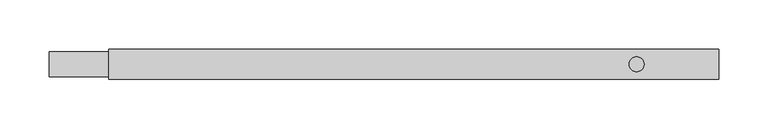
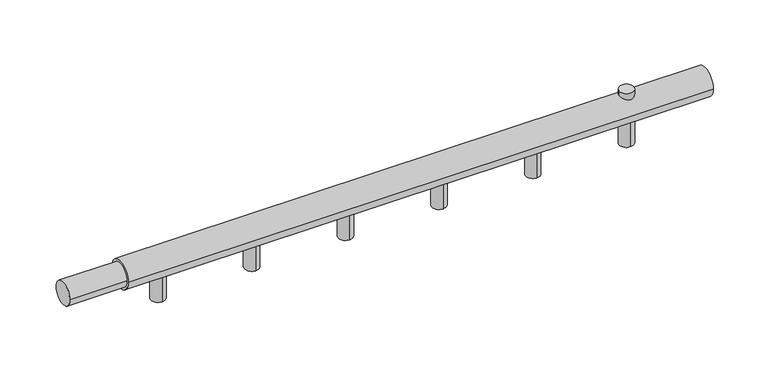
"""IFC4 building model written with IfcOpenShell, lengths in millimetres: proxy geometry."""

import ifcopenshell
import ifcopenshell.guid

model = None  # the IFC model being written
_history = None  # IfcOwnerHistory: only IFC2X3 demands one
_inside = {}  # id of a spatial element -> (the spatial element, [elements in it])
_under = {}  # id of a project, library or spatial element -> (it, [spatial elements below it])
_declared = {}  # id of a project -> (the project, [libraries it declares])
_typed = {}  # id of a type object -> (the type object, [elements of that type])
_made_of = {}  # id of a material, layer set ... -> (it, [elements and type objects made of it])


def new_model(schema):
    """Start an empty IFC model of exactly this schema.

    Asked for "IFC4X3", IfcOpenShell would pick the latest addendum, in which some entities
    have other attributes; the version numbers below select the first issue.
    IFC2X3 requires an IfcOwnerHistory on every rooted entity: one is made here for all.
    """
    global model, _history
    if schema == "IFC4X3":
        model = ifcopenshell.file(schema_version=(4, 3, 0, 0))
    else:
        model = ifcopenshell.file(schema=schema)
    _inside.clear()
    _under.clear()
    _declared.clear()
    _typed.clear()
    _made_of.clear()
    _history = None
    if model.schema == "IFC2X3":
        org = make("IfcOrganization", Name="unknown")
        user = make(
            "IfcPersonAndOrganization",
            ThePerson=make("IfcPerson", FamilyName="unknown"),
            TheOrganization=org,
        )
        app = make(
            "IfcApplication",
            ApplicationDeveloper=org,
            Version="unknown",
            ApplicationFullName="unknown",
            ApplicationIdentifier="unknown",
        )
        _history = make(
            "IfcOwnerHistory",
            OwningUser=user,
            OwningApplication=app,
            ChangeAction="ADDED",
            CreationDate=0,
        )
    return model


def make(cls, **values):
    """One entity of the class cls with the attributes given. An attribute that is None is left unset."""
    return model.create_entity(
        cls, **{name: value for name, value in values.items() if value is not None}
    )


def rooted(cls, **values):
    """An entity with a GlobalId (a new one), such as an element, a storey or a relation."""
    return make(cls, GlobalId=ifcopenshell.guid.new(), OwnerHistory=_history, **values)


def si_unit(unit_type, name, prefix=None):
    """IfcSIUnit, for example si_unit("LENGTHUNIT", "METRE", prefix="MILLI")."""
    return make("IfcSIUnit", UnitType=unit_type, Prefix=prefix, Name=name)


def assignment(units):
    """IfcUnitAssignment: the units of a project."""
    return None if units is None else make("IfcUnitAssignment", Units=units)


def point(xyz):
    """IfcCartesianPoint."""
    return None if xyz is None else make("IfcCartesianPoint", Coordinates=xyz)


def direction(xyz):
    """IfcDirection."""
    return None if xyz is None else make("IfcDirection", DirectionRatios=xyz)


def frame(location, z_axis=None, x_axis=None):
    """IfcAxis2Placement3D, a coordinate frame: its origin and axes. An axis left out is left unset."""
    return make(
        "IfcAxis2Placement3D",
        Location=point(location),
        Axis=direction(z_axis),
        RefDirection=direction(x_axis),
    )


def frame_2d(location, x_axis=None):
    """IfcAxis2Placement2D, a coordinate frame in the plane: its origin and x axis."""
    return make(
        "IfcAxis2Placement2D", Location=point(location), RefDirection=direction(x_axis)
    )


def origin():
    """The frame at (0, 0, 0) with its axes left unset."""
    return frame((0.0, 0.0, 0.0))


def origin_with_axes():
    """The frame at (0, 0, 0) with the z axis (0, 0, 1) and the x axis (1, 0, 0) written out."""
    return frame((0.0, 0.0, 0.0), z_axis=(0.0, 0.0, 1.0), x_axis=(1.0, 0.0, 0.0))


def origin_2d():
    """The frame at (0, 0) in the plane with its x axis left unset."""
    return frame_2d((0.0, 0.0))


def place(relative_to, where):
    """IfcLocalPlacement: puts the frame where relative to a parent placement (None: the world)."""
    return make(
        "IfcLocalPlacement", PlacementRelTo=relative_to, RelativePlacement=where
    )


def context(
    kind, dimensions, precision=None, world=None, true_north=None, identifier=None
):
    """IfcGeometricRepresentationContext, for example the 3D "Model" context."""
    return make(
        "IfcGeometricRepresentationContext",
        ContextIdentifier=identifier,
        ContextType=kind,
        CoordinateSpaceDimension=dimensions,
        Precision=precision,
        WorldCoordinateSystem=world,
        TrueNorth=true_north,
    )


def project(units=None, contexts=None):
    """IfcProject with its units and contexts."""
    return rooted(
        "IfcProject",
        Name="project",
        RepresentationContexts=contexts,
        UnitsInContext=assignment(units),
    )


def spatial(cls, under=None, at=None, **own):
    """A site, building, storey or space (cls), placed at a placement, below another one or the project."""
    s = rooted(cls, ObjectPlacement=at, **own)
    if under is not None:
        _under.setdefault(under.id(), (under, []))[1].append(s)
    return s


def circle_curve(where, radius):
    """IfcCircle in the frame where."""
    return make("IfcCircle", Position=where, Radius=radius)


def trimmed(basis, trim1, trim2, sense, master):
    """IfcTrimmedCurve: the piece of a basis curve between two trims."""
    return make(
        "IfcTrimmedCurve",
        BasisCurve=basis,
        Trim1=trim1,
        Trim2=trim2,
        SenseAgreement=sense,
        MasterRepresentation=master,
    )


def segment(curve, same_sense, transition):
    """IfcCompositeCurveSegment."""
    return make(
        "IfcCompositeCurveSegment",
        Transition=transition,
        SameSense=same_sense,
        ParentCurve=curve,
    )


def composite_curve(segments, self_intersect=None):
    """IfcCompositeCurve: segments joined end to end."""
    return make("IfcCompositeCurve", Segments=segments, SelfIntersect=self_intersect)


def outline(outer, holes=None, kind="AREA"):
    """IfcArbitraryClosedProfileDef: a profile drawn as a closed curve; with holes, ...WithVoids."""
    if holes is None:
        return make("IfcArbitraryClosedProfileDef", ProfileType=kind, OuterCurve=outer)
    return make(
        "IfcArbitraryProfileDefWithVoids",
        ProfileType=kind,
        OuterCurve=outer,
        InnerCurves=holes,
    )


def extrude(swept, where, along, depth):
    """IfcExtrudedAreaSolid: the profile swept, set in the frame where, extruded along a direction by depth."""
    return make(
        "IfcExtrudedAreaSolid",
        SweptArea=swept,
        Position=where,
        ExtrudedDirection=direction(along),
        Depth=depth,
    )


def shape(context_of_items, identifier, shape_type, items):
    """IfcShapeRepresentation: the items that make up one representation, for example the "Body"."""
    return make(
        "IfcShapeRepresentation",
        ContextOfItems=context_of_items,
        RepresentationIdentifier=identifier,
        RepresentationType=shape_type,
        Items=items,
    )


def source(mapping_origin, context_of_items, identifier, shape_type, items):
    """IfcRepresentationMap: a shape defined once, which mapped items show again and again."""
    return make(
        "IfcRepresentationMap",
        MappingOrigin=mapping_origin,
        MappedRepresentation=shape(context_of_items, identifier, shape_type, items),
    )


def transform(
    local_origin,
    x_axis=None,
    y_axis=None,
    z_axis=None,
    scale=None,
    scale2=None,
    scale3=None,
    uniform=True,
):
    """IfcCartesianTransformationOperator3D, or its non-uniform kind. x_axis, y_axis, z_axis: its Axis1, 2, 3."""
    if uniform:
        return make(
            "IfcCartesianTransformationOperator3D",
            Axis1=direction(x_axis),
            Axis2=direction(y_axis),
            LocalOrigin=point(local_origin),
            Scale=scale,
            Axis3=direction(z_axis),
        )
    return make(
        "IfcCartesianTransformationOperator3DnonUniform",
        Axis1=direction(x_axis),
        Axis2=direction(y_axis),
        LocalOrigin=point(local_origin),
        Scale=scale,
        Axis3=direction(z_axis),
        Scale2=scale2,
        Scale3=scale3,
    )


def mapped(mapping_source, mapping_target):
    """IfcMappedItem: shows the shape of a source again, moved by a transform."""
    return make(
        "IfcMappedItem", MappingSource=mapping_source, MappingTarget=mapping_target
    )


def made_of(thing, what):
    """Note that an element or type object is made of a material, layer set ...; save() writes the relation."""
    if what is not None:
        _made_of.setdefault(what.id(), (what, []))[1].append(thing)
    return thing


def element(
    cls,
    number,
    at=None,
    inside=None,
    cuts=None,
    type_object=None,
    material=None,
    context=None,
    identifier="Body",
    shape_type=None,
    held_by="IfcProductDefinitionShape",
    body=None,
    shapes=None,
    **own,
):
    """One element of the class cls, such as IfcWall. Its Tag is "e" and its number.

    at: its placement. inside: the storey or other place that contains it. cuts: it is an
    opening in that element (IfcRelVoidsElement). A single representation is given by context,
    identifier, shape_type and body (its items); several are given by shapes. held_by: the class
    of the entity that holds the representations. save() writes the other relations.
    """
    e = rooted(cls, Tag="e%d" % number, ObjectPlacement=at, **own)
    if body is not None:
        shapes = [shape(context, identifier, shape_type, body)]
    if shapes is not None:
        e.Representation = make(held_by, Representations=shapes)
    if inside is not None:
        _inside.setdefault(inside.id(), (inside, []))[1].append(e)
    if cuts is not None:
        rooted(
            "IfcRelVoidsElement", RelatingBuildingElement=cuts, RelatedOpeningElement=e
        )
    if type_object is not None:
        _typed.setdefault(type_object.id(), (type_object, []))[1].append(e)
    return made_of(e, material)


def aggregate(whole, parts):
    """IfcRelAggregates: a whole, such as a stair, and the parts it consists of."""
    return rooted("IfcRelAggregates", RelatingObject=whole, RelatedObjects=parts)


def save(model, path):
    """Write the relations noted so far, then the file.

    IfcRelAggregates (storeys below a building ...), IfcRelContainedInSpatialStructure (elements
    in a storey), IfcRelDefinesByType, IfcRelAssociatesMaterial and IfcRelDeclares: one each for
    every whole, place, type object, material and project.
    """
    for whole, parts in _under.values():
        aggregate(whole, parts)
    for where, things in _inside.values():
        rooted(
            "IfcRelContainedInSpatialStructure",
            RelatedElements=things,
            RelatingStructure=where,
        )
    for kind, things in _typed.values():
        rooted("IfcRelDefinesByType", RelatedObjects=things, RelatingType=kind)
    for what, things in _made_of.values():
        rooted("IfcRelAssociatesMaterial", RelatedObjects=things, RelatingMaterial=what)
    for by, libraries in _declared.values():
        rooted("IfcRelDeclares", RelatingContext=by, RelatedDefinitions=libraries)
    model.write(path)


def mechanical_equipment_38eea2f0(model_context):
    return source(origin(), model_context, "Body", "SweptSolid", [
        extrude(outline(composite_curve([segment(trimmed(circle_curve(frame_2d((593.1818182, 0.0)), 7.5), [point((585.6818182, 0.0))], [point((600.6818182, 0.0))], False, "CARTESIAN"), True, "CONTINUOUS"), segment(trimmed(circle_curve(frame_2d((593.1818182, 0.0)), 7.5), [point((600.6818182, 0.0))], [point((585.6818182, 0.0))], False, "CARTESIAN"), True, "CONTINUOUS")], self_intersect=False)), origin_with_axes(), (0.0, 0.0, 1.0), 20.0),
        extrude(outline(composite_curve([segment(trimmed(circle_curve(origin_2d(), 12.5), [point((-12.5, 0.0))], [point((12.5, 0.0))], False, "CARTESIAN"), True, "CONTINUOUS"), segment(trimmed(circle_curve(origin_2d(), 12.5), [point((12.5, 0.0))], [point((-12.5, 0.0))], False, "CARTESIAN"), True, "CONTINUOUS")], self_intersect=False)), frame((0.0, 0.0, 0.0), z_axis=(1.0, 0.0, 0.0), x_axis=(0.0, 1.0, 0.0)), (0.0, 0.0, 1.0), 60.0),
        extrude(outline(composite_curve([segment(trimmed(circle_curve(origin_2d(), 15.0), [point((-15.0, 0.0))], [point((15.0, 0.0))], False, "CARTESIAN"), True, "CONTINUOUS"), segment(trimmed(circle_curve(origin_2d(), 15.0), [point((15.0, 0.0))], [point((-15.0, 0.0))], False, "CARTESIAN"), True, "CONTINUOUS")], self_intersect=False)), frame((60.0, 0.0, 0.0), z_axis=(1.0, 0.0, 0.0), x_axis=(0.0, 1.0, 0.0)), (0.0, 0.0, 1.0), 615.9090909),
        extrude(outline(composite_curve([segment(trimmed(circle_curve(frame_2d((593.1818182, 0.0)), 7.5), [point((593.1818182, 7.5))], [point((593.1818182, -7.5))], False, "CARTESIAN"), True, "CONTINUOUS"), segment(trimmed(circle_curve(frame_2d((593.1818182, 0.0)), 7.5), [point((593.1818182, -7.5))], [point((593.1818182, 7.5))], False, "CARTESIAN"), True, "CONTINUOUS")], self_intersect=False)), frame((0.0, 0.0, -40.0), z_axis=(0.0, 0.0, 1.0), x_axis=(1.0, 0.0, 0.0)), (0.0, 0.0, 1.0), 40.0),
        extrude(outline(composite_curve([segment(trimmed(circle_curve(frame_2d((494.5454545, 0.0)), 7.5), [point((494.5454545, 7.5))], [point((494.5454545, -7.5))], False, "CARTESIAN"), True, "CONTINUOUS"), segment(trimmed(circle_curve(frame_2d((494.5454545, 0.0)), 7.5), [point((494.5454545, -7.5))], [point((494.5454545, 7.5))], False, "CARTESIAN"), True, "CONTINUOUS")], self_intersect=False)), frame((0.0, 0.0, -40.0), z_axis=(0.0, 0.0, 1.0), x_axis=(1.0, 0.0, 0.0)), (0.0, 0.0, 1.0), 40.0),
        extrude(outline(composite_curve([segment(trimmed(circle_curve(frame_2d((395.9090909, 0.0)), 7.5), [point((395.9090909, 7.5))], [point((395.9090909, -7.5))], False, "CARTESIAN"), True, "CONTINUOUS"), segment(trimmed(circle_curve(frame_2d((395.9090909, 0.0)), 7.5), [point((395.9090909, -7.5))], [point((395.9090909, 7.5))], False, "CARTESIAN"), True, "CONTINUOUS")], self_intersect=False)), frame((0.0, 0.0, -40.0), z_axis=(0.0, 0.0, 1.0), x_axis=(1.0, 0.0, 0.0)), (0.0, 0.0, 1.0), 40.0),
        extrude(outline(composite_curve([segment(trimmed(circle_curve(frame_2d((297.2727273, 0.0)), 7.5), [point((297.2727273, 7.5))], [point((297.2727273, -7.5))], False, "CARTESIAN"), True, "CONTINUOUS"), segment(trimmed(circle_curve(frame_2d((297.2727273, 0.0)), 7.5), [point((297.2727273, -7.5))], [point((297.2727273, 7.5))], False, "CARTESIAN"), True, "CONTINUOUS")], self_intersect=False)), frame((0.0, 0.0, -40.0), z_axis=(0.0, 0.0, 1.0), x_axis=(1.0, 0.0, 0.0)), (0.0, 0.0, 1.0), 40.0),
        extrude(outline(composite_curve([segment(trimmed(circle_curve(frame_2d((198.6363636, 0.0)), 7.5), [point((198.6363636, 7.5))], [point((198.6363636, -7.5))], False, "CARTESIAN"), True, "CONTINUOUS"), segment(trimmed(circle_curve(frame_2d((198.6363636, 0.0)), 7.5), [point((198.6363636, -7.5))], [point((198.6363636, 7.5))], False, "CARTESIAN"), True, "CONTINUOUS")], self_intersect=False)), frame((0.0, 0.0, -40.0), z_axis=(0.0, 0.0, 1.0), x_axis=(1.0, 0.0, 0.0)), (0.0, 0.0, 1.0), 40.0),
        extrude(outline(composite_curve([segment(trimmed(circle_curve(frame_2d((100.0, 0.0)), 7.5), [point((100.0, 7.5))], [point((100.0, -7.5))], False, "CARTESIAN"), True, "CONTINUOUS"), segment(trimmed(circle_curve(frame_2d((100.0, 0.0)), 7.5), [point((100.0, -7.5))], [point((100.0, 7.5))], False, "CARTESIAN"), True, "CONTINUOUS")], self_intersect=False)), frame((0.0, 0.0, -40.0), z_axis=(0.0, 0.0, 1.0), x_axis=(1.0, 0.0, 0.0)), (0.0, 0.0, 1.0), 40.0),
    ])


if __name__ == "__main__":
    model = new_model("IFC4")
    model_context = context("Model", 3, world=origin())
    ifc_project = project(units=[si_unit("LENGTHUNIT", "METRE", prefix="MILLI")], contexts=[model_context])
    site = spatial("IfcSite", under=ifc_project)
    building = spatial("IfcBuilding", under=site)
    placement = place(None, origin())
    mechanical_equipment_shape = mechanical_equipment_38eea2f0(model_context)
    element("IfcBuildingElementProxy", 1, Name="Mechanical Equipment", at=placement, inside=building, context=model_context, shape_type="MappedRepresentation", body=[
        mapped(mechanical_equipment_shape, transform((0.0, 0.0, 0.0), x_axis=(1.0, 0.0, 0.0), y_axis=(0.0, 1.0, 0.0), z_axis=(0.0, 0.0, 1.0))),
    ])
    save(model, "model.ifc")
